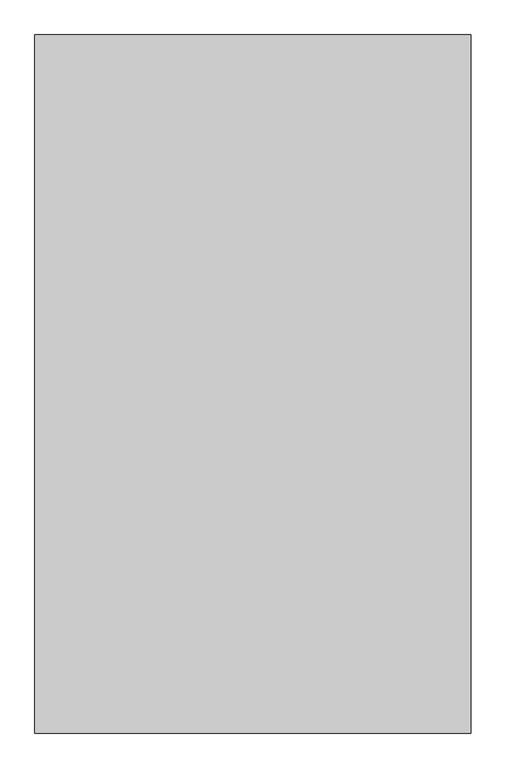
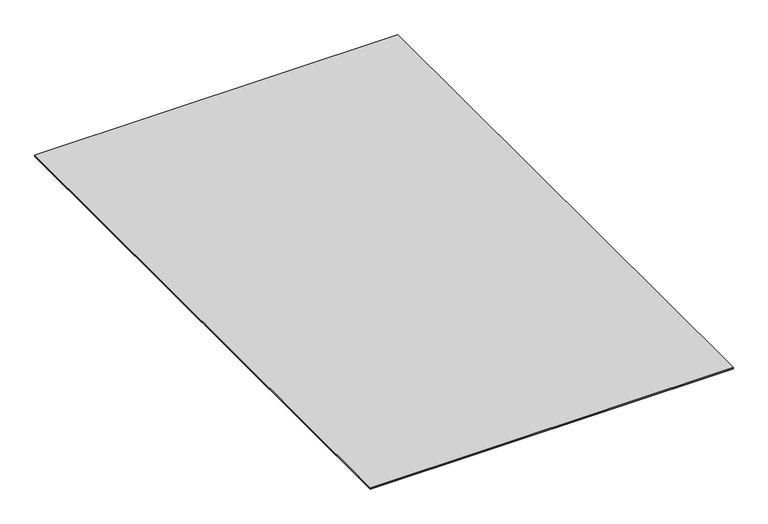
"""IFC4 building model written with IfcOpenShell, lengths in millimetres: proxy geometry."""

from ifc_helpers import new_model, si_unit, frame, origin, origin_with_axes, place, context, project, spatial, polyline, outline, extrude, source, transform, mapped, element, save


def specialty_equipment_449c5a18(model_context):
    return source(origin(), model_context, "Body", "SweptSolid", [
        extrude(outline(polyline([(762.0, -1219.2), (-762.0, -1219.2), (-762.0, 1219.2), (762.0, 1219.2), (762.0, -1219.2)])), frame((0.0, 0.0, 1.984375), z_axis=(0.0, 0.0, 1.0), x_axis=(1.0, 0.0, 0.0)), (0.0, 0.0, 1.0), 4.365625),
        extrude(outline(polyline([(762.0, 1219.2), (762.0, -1219.2), (-762.0, -1219.2), (-762.0, 1219.2), (762.0, 1219.2)])), origin_with_axes(), (0.0, 0.0, 1.0), 1.984375),
    ])


if __name__ == "__main__":
    model = new_model("IFC4")
    model_context = context("Model", 3, world=origin())
    ifc_project = project(units=[si_unit("LENGTHUNIT", "METRE", prefix="MILLI")], contexts=[model_context])
    site = spatial("IfcSite", under=ifc_project)
    building = spatial("IfcBuilding", under=site)
    placement = place(None, origin())
    specialty_equipment_shape = specialty_equipment_449c5a18(model_context)
    element("IfcBuildingElementProxy", 1, Name="Specialty Equipment", at=placement, inside=building, context=model_context, shape_type="MappedRepresentation", body=[
        mapped(specialty_equipment_shape, transform((0.0, 0.0, 0.0), x_axis=(1.0, 0.0, 0.0), y_axis=(0.0, 1.0, 0.0), z_axis=(0.0, 0.0, 1.0))),
    ])
    save(model, "model.ifc")
